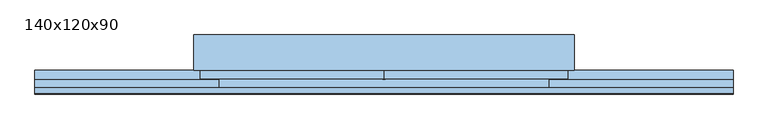
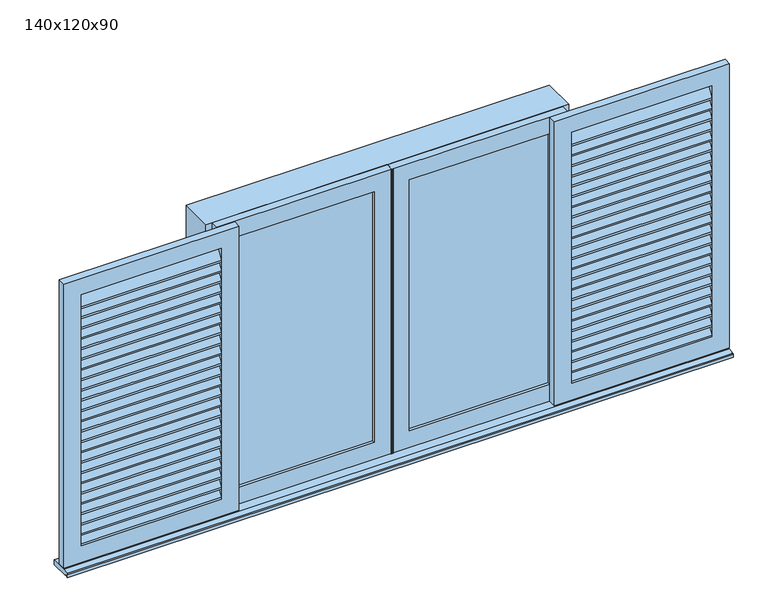
"""IFC4 building model written with IfcOpenShell, lengths in millimetres: window geometry, 140x120x90."""

from ifc_helpers import new_model, si_unit, point, frame, frame_2d, origin, place, context, project, spatial, polyline, circle_curve, trimmed, segment, composite_curve, outline, extrude, source, transform, mapped, element, save
from ifc_brep_helpers import plane_surface, cylinder_surface, revolved_surface, advanced_brep


def window_140x120x90_9d8e4bf2(model_context):
    return source(origin(), model_context, "Body", "SolidModel", [
        extrude(outline(polyline([(-103.3273038, 1021.3496198), (-73.3273038, 1071.3496198), (-73.3273038, 1063.5750173), (-103.3273038, 1013.5750173), (-103.3273038, 1021.3496198)])), frame((-1260.0, 0.0, 0.0), z_axis=(1.0, 0.0, 0.0), x_axis=(0.0, 1.0, 0.0)), (0.0, 0.0, 1.0), 560.0),
        extrude(outline(polyline([(-103.3273038, 1064.9246371), (-73.3273038, 1114.9246371), (-73.3273038, 1107.1500346), (-103.3273038, 1057.1500346), (-103.3273038, 1064.9246371)])), frame((-1260.0, 0.0, 0.0), z_axis=(1.0, 0.0, 0.0), x_axis=(0.0, 1.0, 0.0)), (0.0, 0.0, 1.0), 560.0),
        extrude(outline(polyline([(-103.3273038, 1108.4996544), (-73.3273038, 1158.4996544), (-73.3273038, 1150.7250518), (-103.3273038, 1100.7250518), (-103.3273038, 1108.4996544)])), frame((-1260.0, 0.0, 0.0), z_axis=(1.0, 0.0, 0.0), x_axis=(0.0, 1.0, 0.0)), (0.0, 0.0, 1.0), 560.0),
        extrude(outline(polyline([(-103.3273038, 1152.0746717), (-73.3273038, 1202.0746717), (-73.3273038, 1194.3000691), (-103.3273038, 1144.3000691), (-103.3273038, 1152.0746717)])), frame((-1260.0, 0.0, 0.0), z_axis=(1.0, 0.0, 0.0), x_axis=(0.0, 1.0, 0.0)), (0.0, 0.0, 1.0), 560.0),
        extrude(outline(polyline([(-103.3273038, 1195.6496889), (-73.3273038, 1245.6496889), (-73.3273038, 1237.8750864), (-103.3273038, 1187.8750864), (-103.3273038, 1195.6496889)])), frame((-1260.0, 0.0, 0.0), z_axis=(1.0, 0.0, 0.0), x_axis=(0.0, 1.0, 0.0)), (0.0, 0.0, 1.0), 560.0),
        extrude(outline(polyline([(-103.3273038, 1239.2247062), (-73.3273038, 1289.2247062), (-73.3273038, 1281.4501037), (-103.3273038, 1231.4501037), (-103.3273038, 1239.2247062)])), frame((-1260.0, 0.0, 0.0), z_axis=(1.0, 0.0, 0.0), x_axis=(0.0, 1.0, 0.0)), (0.0, 0.0, 1.0), 560.0),
        extrude(outline(polyline([(-103.3273038, 1282.7997235), (-73.3273038, 1332.7997235), (-73.3273038, 1325.025121), (-103.3273038, 1275.025121), (-103.3273038, 1282.7997235)])), frame((-1260.0, 0.0, 0.0), z_axis=(1.0, 0.0, 0.0), x_axis=(0.0, 1.0, 0.0)), (0.0, 0.0, 1.0), 560.0),
        extrude(outline(polyline([(-103.3273038, 1326.3747408), (-73.3273038, 1376.3747408), (-73.3273038, 1368.6001383), (-103.3273038, 1318.6001383), (-103.3273038, 1326.3747408)])), frame((-1260.0, 0.0, 0.0), z_axis=(1.0, 0.0, 0.0), x_axis=(0.0, 1.0, 0.0)), (0.0, 0.0, 1.0), 560.0),
        extrude(outline(polyline([(-103.3273038, 1369.9497581), (-73.3273038, 1419.9497581), (-73.3273038, 1412.1751555), (-103.3273038, 1362.1751555), (-103.3273038, 1369.9497581)])), frame((-1260.0, 0.0, 0.0), z_axis=(1.0, 0.0, 0.0), x_axis=(0.0, 1.0, 0.0)), (0.0, 0.0, 1.0), 560.0),
        extrude(outline(polyline([(-103.3273038, 1413.5247753), (-73.3273038, 1463.5247753), (-73.3273038, 1455.7501728), (-103.3273038, 1405.7501728), (-103.3273038, 1413.5247753)])), frame((-1260.0, 0.0, 0.0), z_axis=(1.0, 0.0, 0.0), x_axis=(0.0, 1.0, 0.0)), (0.0, 0.0, 1.0), 560.0),
        extrude(outline(polyline([(-103.3273038, 1457.0997926), (-73.3273038, 1507.0997926), (-73.3273038, 1499.3251901), (-103.3273038, 1449.3251901), (-103.3273038, 1457.0997926)])), frame((-1260.0, 0.0, 0.0), z_axis=(1.0, 0.0, 0.0), x_axis=(0.0, 1.0, 0.0)), (0.0, 0.0, 1.0), 560.0),
        extrude(outline(polyline([(-103.3273038, 1500.6748099), (-73.3273038, 1550.6748099), (-73.3273038, 1542.9002074), (-103.3273038, 1492.9002074), (-103.3273038, 1500.6748099)])), frame((-1260.0, 0.0, 0.0), z_axis=(1.0, 0.0, 0.0), x_axis=(0.0, 1.0, 0.0)), (0.0, 0.0, 1.0), 560.0),
        extrude(outline(polyline([(-103.3273038, 1544.2498272), (-73.3273038, 1594.2498272), (-73.3273038, 1586.4752247), (-103.3273038, 1536.4752247), (-103.3273038, 1544.2498272)])), frame((-1260.0, 0.0, 0.0), z_axis=(1.0, 0.0, 0.0), x_axis=(0.0, 1.0, 0.0)), (0.0, 0.0, 1.0), 560.0),
        extrude(outline(polyline([(-103.3273038, 1587.8248445), (-73.3273038, 1637.8248445), (-73.3273038, 1630.0502419), (-103.3273038, 1580.0502419), (-103.3273038, 1587.8248445)])), frame((-1260.0, 0.0, 0.0), z_axis=(1.0, 0.0, 0.0), x_axis=(0.0, 1.0, 0.0)), (0.0, 0.0, 1.0), 560.0),
        extrude(outline(polyline([(-103.3273038, 1631.3998617), (-73.3273038, 1681.3998617), (-73.3273038, 1673.6252592), (-103.3273038, 1623.6252592), (-103.3273038, 1631.3998617)])), frame((-1260.0, 0.0, 0.0), z_axis=(1.0, 0.0, 0.0), x_axis=(0.0, 1.0, 0.0)), (0.0, 0.0, 1.0), 560.0),
        extrude(outline(polyline([(-103.3273038, 1674.974879), (-73.3273038, 1724.974879), (-73.3273038, 1717.2002765), (-103.3273038, 1667.2002765), (-103.3273038, 1674.974879)])), frame((-1260.0, 0.0, 0.0), z_axis=(1.0, 0.0, 0.0), x_axis=(0.0, 1.0, 0.0)), (0.0, 0.0, 1.0), 560.0),
        extrude(outline(polyline([(-103.3273038, 1718.5498963), (-73.3273038, 1768.5498963), (-73.3273038, 1760.7752938), (-103.3273038, 1710.7752938), (-103.3273038, 1718.5498963)])), frame((-1260.0, 0.0, 0.0), z_axis=(1.0, 0.0, 0.0), x_axis=(0.0, 1.0, 0.0)), (0.0, 0.0, 1.0), 560.0),
        extrude(outline(polyline([(-103.3273038, 1762.1249136), (-73.3273038, 1812.1249136), (-73.3273038, 1804.3503111), (-103.3273038, 1754.3503111), (-103.3273038, 1762.1249136)])), frame((-1260.0, 0.0, 0.0), z_axis=(1.0, 0.0, 0.0), x_axis=(0.0, 1.0, 0.0)), (0.0, 0.0, 1.0), 560.0),
        extrude(outline(polyline([(-103.3273038, 1805.6999309), (-73.3273038, 1855.6999309), (-73.3273038, 1847.9253283), (-103.3273038, 1797.9253283), (-103.3273038, 1805.6999309)])), frame((-1260.0, 0.0, 0.0), z_axis=(1.0, 0.0, 0.0), x_axis=(0.0, 1.0, 0.0)), (0.0, 0.0, 1.0), 560.0),
        extrude(outline(polyline([(-103.3273038, 1849.2749482), (-73.3273038, 1899.2749482), (-73.3273038, 1891.5003456), (-103.3273038, 1841.5003456), (-103.3273038, 1849.2749482)])), frame((-1260.0, 0.0, 0.0), z_axis=(1.0, 0.0, 0.0), x_axis=(0.0, 1.0, 0.0)), (0.0, 0.0, 1.0), 560.0),
        extrude(outline(polyline([(-103.3273038, 1892.8499654), (-73.3273038, 1942.8499654), (-73.3273038, 1935.0753629), (-103.3273038, 1885.0753629), (-103.3273038, 1892.8499654)])), frame((-1260.0, 0.0, 0.0), z_axis=(1.0, 0.0, 0.0), x_axis=(0.0, 1.0, 0.0)), (0.0, 0.0, 1.0), 560.0),
        extrude(outline(polyline([(-103.3273038, 1936.4249827), (-73.3273038, 1986.4249827), (-73.3273038, 1978.6503802), (-103.3273038, 1928.6503802), (-103.3273038, 1936.4249827)])), frame((-1260.0, 0.0, 0.0), z_axis=(1.0, 0.0, 0.0), x_axis=(0.0, 1.0, 0.0)), (0.0, 0.0, 1.0), 560.0),
        extrude(outline(polyline([(-103.3273038, 977.7746025), (-73.3273038, 1027.7746025), (-73.3273038, 1020.0), (-103.3273038, 970.0), (-103.3273038, 977.7746025)])), frame((-1260.0, 0.0, 0.0), z_axis=(1.0, 0.0, 0.0), x_axis=(0.0, 1.0, 0.0)), (0.0, 0.0, 1.0), 560.0),
        extrude(outline(polyline([(-103.3273038, 1980.0), (-73.3273038, 2030.0), (-73.3273038, 2022.2253975), (-103.3273038, 1972.2253975), (-103.3273038, 1980.0)])), frame((-1260.0, 0.0, 0.0), z_axis=(1.0, 0.0, 0.0), x_axis=(0.0, 1.0, 0.0)), (0.0, 0.0, 1.0), 560.0),
        extrude(outline(polyline([(2100.0, -1330.0), (900.0, -1330.0), (900.0, -630.0), (2100.0, -630.0), (2100.0, -1330.0)]), holes=[polyline([(2030.0, -1260.0), (2030.0, -700.0), (970.0, -700.0), (970.0, -1260.0), (2030.0, -1260.0)])]), frame((0.0, -103.3273038, 0.0), z_axis=(0.0, 1.0, 0.0), x_axis=(0.0, 0.0, 1.0)), (0.0, 0.0, 1.0), 30.0),
        extrude(outline(polyline([(-103.3273038, 1021.3496198), (-73.3273038, 1071.3496198), (-73.3273038, 1063.5750173), (-103.3273038, 1013.5750173), (-103.3273038, 1021.3496198)])), frame((700.0, 0.0, 0.0), z_axis=(1.0, 0.0, 0.0), x_axis=(0.0, 1.0, 0.0)), (0.0, 0.0, 1.0), 560.0),
        extrude(outline(polyline([(-103.3273038, 1064.9246371), (-73.3273038, 1114.9246371), (-73.3273038, 1107.1500346), (-103.3273038, 1057.1500346), (-103.3273038, 1064.9246371)])), frame((700.0, 0.0, 0.0), z_axis=(1.0, 0.0, 0.0), x_axis=(0.0, 1.0, 0.0)), (0.0, 0.0, 1.0), 560.0),
        extrude(outline(polyline([(-103.3273038, 1108.4996544), (-73.3273038, 1158.4996544), (-73.3273038, 1150.7250518), (-103.3273038, 1100.7250518), (-103.3273038, 1108.4996544)])), frame((700.0, 0.0, 0.0), z_axis=(1.0, 0.0, 0.0), x_axis=(0.0, 1.0, 0.0)), (0.0, 0.0, 1.0), 560.0),
        extrude(outline(polyline([(-103.3273038, 1152.0746717), (-73.3273038, 1202.0746717), (-73.3273038, 1194.3000691), (-103.3273038, 1144.3000691), (-103.3273038, 1152.0746717)])), frame((700.0, 0.0, 0.0), z_axis=(1.0, 0.0, 0.0), x_axis=(0.0, 1.0, 0.0)), (0.0, 0.0, 1.0), 560.0),
        extrude(outline(polyline([(-103.3273038, 1195.6496889), (-73.3273038, 1245.6496889), (-73.3273038, 1237.8750864), (-103.3273038, 1187.8750864), (-103.3273038, 1195.6496889)])), frame((700.0, 0.0, 0.0), z_axis=(1.0, 0.0, 0.0), x_axis=(0.0, 1.0, 0.0)), (0.0, 0.0, 1.0), 560.0),
        extrude(outline(polyline([(-103.3273038, 1239.2247062), (-73.3273038, 1289.2247062), (-73.3273038, 1281.4501037), (-103.3273038, 1231.4501037), (-103.3273038, 1239.2247062)])), frame((700.0, 0.0, 0.0), z_axis=(1.0, 0.0, 0.0), x_axis=(0.0, 1.0, 0.0)), (0.0, 0.0, 1.0), 560.0),
        extrude(outline(polyline([(-103.3273038, 1282.7997235), (-73.3273038, 1332.7997235), (-73.3273038, 1325.025121), (-103.3273038, 1275.025121), (-103.3273038, 1282.7997235)])), frame((700.0, 0.0, 0.0), z_axis=(1.0, 0.0, 0.0), x_axis=(0.0, 1.0, 0.0)), (0.0, 0.0, 1.0), 560.0),
        extrude(outline(polyline([(-103.3273038, 1326.3747408), (-73.3273038, 1376.3747408), (-73.3273038, 1368.6001383), (-103.3273038, 1318.6001383), (-103.3273038, 1326.3747408)])), frame((700.0, 0.0, 0.0), z_axis=(1.0, 0.0, 0.0), x_axis=(0.0, 1.0, 0.0)), (0.0, 0.0, 1.0), 560.0),
        extrude(outline(polyline([(-103.3273038, 1369.9497581), (-73.3273038, 1419.9497581), (-73.3273038, 1412.1751555), (-103.3273038, 1362.1751555), (-103.3273038, 1369.9497581)])), frame((700.0, 0.0, 0.0), z_axis=(1.0, 0.0, 0.0), x_axis=(0.0, 1.0, 0.0)), (0.0, 0.0, 1.0), 560.0),
        extrude(outline(polyline([(-103.3273038, 1413.5247753), (-73.3273038, 1463.5247753), (-73.3273038, 1455.7501728), (-103.3273038, 1405.7501728), (-103.3273038, 1413.5247753)])), frame((700.0, 0.0, 0.0), z_axis=(1.0, 0.0, 0.0), x_axis=(0.0, 1.0, 0.0)), (0.0, 0.0, 1.0), 560.0),
        extrude(outline(polyline([(-103.3273038, 1457.0997926), (-73.3273038, 1507.0997926), (-73.3273038, 1499.3251901), (-103.3273038, 1449.3251901), (-103.3273038, 1457.0997926)])), frame((700.0, 0.0, 0.0), z_axis=(1.0, 0.0, 0.0), x_axis=(0.0, 1.0, 0.0)), (0.0, 0.0, 1.0), 560.0),
        extrude(outline(polyline([(-103.3273038, 1500.6748099), (-73.3273038, 1550.6748099), (-73.3273038, 1542.9002074), (-103.3273038, 1492.9002074), (-103.3273038, 1500.6748099)])), frame((700.0, 0.0, 0.0), z_axis=(1.0, 0.0, 0.0), x_axis=(0.0, 1.0, 0.0)), (0.0, 0.0, 1.0), 560.0),
        extrude(outline(polyline([(-103.3273038, 1544.2498272), (-73.3273038, 1594.2498272), (-73.3273038, 1586.4752247), (-103.3273038, 1536.4752247), (-103.3273038, 1544.2498272)])), frame((700.0, 0.0, 0.0), z_axis=(1.0, 0.0, 0.0), x_axis=(0.0, 1.0, 0.0)), (0.0, 0.0, 1.0), 560.0),
        extrude(outline(polyline([(-103.3273038, 1587.8248445), (-73.3273038, 1637.8248445), (-73.3273038, 1630.0502419), (-103.3273038, 1580.0502419), (-103.3273038, 1587.8248445)])), frame((700.0, 0.0, 0.0), z_axis=(1.0, 0.0, 0.0), x_axis=(0.0, 1.0, 0.0)), (0.0, 0.0, 1.0), 560.0),
        extrude(outline(polyline([(-103.3273038, 1631.3998617), (-73.3273038, 1681.3998617), (-73.3273038, 1673.6252592), (-103.3273038, 1623.6252592), (-103.3273038, 1631.3998617)])), frame((700.0, 0.0, 0.0), z_axis=(1.0, 0.0, 0.0), x_axis=(0.0, 1.0, 0.0)), (0.0, 0.0, 1.0), 560.0),
        extrude(outline(polyline([(-103.3273038, 1674.974879), (-73.3273038, 1724.974879), (-73.3273038, 1717.2002765), (-103.3273038, 1667.2002765), (-103.3273038, 1674.974879)])), frame((700.0, 0.0, 0.0), z_axis=(1.0, 0.0, 0.0), x_axis=(0.0, 1.0, 0.0)), (0.0, 0.0, 1.0), 560.0),
        extrude(outline(polyline([(-103.3273038, 1718.5498963), (-73.3273038, 1768.5498963), (-73.3273038, 1760.7752938), (-103.3273038, 1710.7752938), (-103.3273038, 1718.5498963)])), frame((700.0, 0.0, 0.0), z_axis=(1.0, 0.0, 0.0), x_axis=(0.0, 1.0, 0.0)), (0.0, 0.0, 1.0), 560.0),
        extrude(outline(polyline([(-103.3273038, 1762.1249136), (-73.3273038, 1812.1249136), (-73.3273038, 1804.3503111), (-103.3273038, 1754.3503111), (-103.3273038, 1762.1249136)])), frame((700.0, 0.0, 0.0), z_axis=(1.0, 0.0, 0.0), x_axis=(0.0, 1.0, 0.0)), (0.0, 0.0, 1.0), 560.0),
        extrude(outline(polyline([(-103.3273038, 1805.6999309), (-73.3273038, 1855.6999309), (-73.3273038, 1847.9253283), (-103.3273038, 1797.9253283), (-103.3273038, 1805.6999309)])), frame((700.0, 0.0, 0.0), z_axis=(1.0, 0.0, 0.0), x_axis=(0.0, 1.0, 0.0)), (0.0, 0.0, 1.0), 560.0),
        extrude(outline(polyline([(-103.3273038, 1849.2749482), (-73.3273038, 1899.2749482), (-73.3273038, 1891.5003456), (-103.3273038, 1841.5003456), (-103.3273038, 1849.2749482)])), frame((700.0, 0.0, 0.0), z_axis=(1.0, 0.0, 0.0), x_axis=(0.0, 1.0, 0.0)), (0.0, 0.0, 1.0), 560.0),
        extrude(outline(polyline([(-103.3273038, 1892.8499654), (-73.3273038, 1942.8499654), (-73.3273038, 1935.0753629), (-103.3273038, 1885.0753629), (-103.3273038, 1892.8499654)])), frame((700.0, 0.0, 0.0), z_axis=(1.0, 0.0, 0.0), x_axis=(0.0, 1.0, 0.0)), (0.0, 0.0, 1.0), 560.0),
        extrude(outline(polyline([(-103.3273038, 1936.4249827), (-73.3273038, 1986.4249827), (-73.3273038, 1978.6503802), (-103.3273038, 1928.6503802), (-103.3273038, 1936.4249827)])), frame((700.0, 0.0, 0.0), z_axis=(1.0, 0.0, 0.0), x_axis=(0.0, 1.0, 0.0)), (0.0, 0.0, 1.0), 560.0),
        extrude(outline(polyline([(-103.3273038, 977.7746025), (-73.3273038, 1027.7746025), (-73.3273038, 1020.0), (-103.3273038, 970.0), (-103.3273038, 977.7746025)])), frame((700.0, 0.0, 0.0), z_axis=(1.0, 0.0, 0.0), x_axis=(0.0, 1.0, 0.0)), (0.0, 0.0, 1.0), 560.0),
        extrude(outline(polyline([(-103.3273038, 1980.0), (-73.3273038, 2030.0), (-73.3273038, 2022.2253975), (-103.3273038, 1972.2253975), (-103.3273038, 1980.0)])), frame((700.0, 0.0, 0.0), z_axis=(1.0, 0.0, 0.0), x_axis=(0.0, 1.0, 0.0)), (0.0, 0.0, 1.0), 560.0),
        extrude(outline(polyline([(2100.0, 1330.0), (2100.0, 630.0), (900.0, 630.0), (900.0, 1330.0), (2100.0, 1330.0)]), holes=[polyline([(2030.0, 1260.0), (970.0, 1260.0), (970.0, 700.0), (2030.0, 700.0), (2030.0, 1260.0)])]), frame((0.0, -103.3273038, 0.0), z_axis=(0.0, 1.0, 0.0), x_axis=(0.0, 0.0, 1.0)), (0.0, 0.0, 1.0), 30.0),
        extrude(outline(polyline([(2100.0, 0.0), (900.0, 0.0), (900.0, 700.0), (2100.0, 700.0), (2100.0, 0.0)]), holes=[polyline([(2030.0, 70.0), (2030.0, 630.0), (970.0, 630.0), (970.0, 70.0), (2030.0, 70.0)])]), frame((0.0, -70.8273038, 0.0), z_axis=(0.0, 1.0, 0.0), x_axis=(0.0, 0.0, 1.0)), (0.0, 0.0, 1.0), 30.0),
        extrude(outline(polyline([(70.0, -52.8273038), (630.0, -52.8273038), (630.0, -58.8273038), (70.0, -58.8273038), (70.0, -52.8273038)])), frame((0.0, 0.0, 970.0), z_axis=(0.0, 0.0, 1.0), x_axis=(1.0, 0.0, 0.0)), (0.0, 0.0, 1.0), 1060.0),
        extrude(outline(polyline([(2100.0, 0.0), (2100.0, -700.0), (900.0, -700.0), (900.0, 0.0), (2100.0, 0.0)]), holes=[polyline([(2030.0, -70.0), (970.0, -70.0), (970.0, -630.0), (2030.0, -630.0), (2030.0, -70.0)])]), frame((0.0, -70.8273038, 0.0), z_axis=(0.0, 1.0, 0.0), x_axis=(0.0, 0.0, 1.0)), (0.0, 0.0, 1.0), 30.0),
        extrude(outline(polyline([(-70.0, -52.8273038), (-70.0, -58.8273038), (-630.0, -58.8273038), (-630.0, -52.8273038), (-70.0, -52.8273038)])), frame((0.0, 0.0, 970.0), z_axis=(0.0, 0.0, 1.0), x_axis=(1.0, 0.0, 0.0)), (0.0, 0.0, 1.0), 1060.0),
        advanced_brep(
        [(725.0, 96.6726962, 2100.0), (725.0, 96.6726962, 875.0), (-725.0, 96.6726962, 875.0), (-725.0, 96.6726962, 2100.0), (700.0, 96.6726962, 2075.0), (-700.0, 96.6726962, 2075.0), (-700.0, 96.6726962, 900.0), (700.0, 96.6726962, 900.0), (-725.0, -38.3273038, 2100.0), (-725.0, -38.3273038, 895.0), (725.0, -38.3273038, 895.0), (725.0, -38.3273038, 2100.0), (700.0, -38.3273038, 2075.0), (700.0, -38.3273038, 900.0), (-700.0, -38.3273038, 900.0), (-700.0, -38.3273038, 2075.0), (-725.0, -38.3273038, 875.0), (725.0, -38.3273038, 875.0), (1330.0, -38.3273038, 875.0), (1330.0, -113.3273038, 875.0), (-1330.0, -113.3273038, 875.0), (-1330.0, -38.3273038, 875.0), (-1330.0, -38.3273038, 895.0), (-1330.0, -123.3273038, 875.0), (-1330.0, -128.3273038, 875.0), (-1330.0, -128.3273038, 888.0745266), (-1330.0, -125.8482484, 891.0289498), (-1330.0, -103.3273038, 895.0), (1330.0, -38.3273038, 895.0), (1330.0, -103.3273038, 895.0), (1330.0, -125.8482484, 891.0289498), (1330.0, -128.3273038, 888.0745266), (1330.0, -128.3273038, 875.0), (1330.0, -123.3273038, 875.0)],
        [
            (0, 1),
            (1, 2),
            (2, 3),
            (3, 0),
            (4, 5),
            (5, 6),
            (6, 7),
            (7, 4),
            (8, 9),
            (9, 10),
            (10, 11),
            (11, 8),
            (12, 13),
            (13, 14),
            (14, 15),
            (15, 12),
            (3, 8),
            (11, 0),
            (2, 16),
            (16, 9),
            (1, 17),
            (17, 18),
            (18, 19),
            (19, 20),
            (20, 21),
            (21, 16),
            (10, 17),
            (7, 13),
            (12, 4),
            (6, 14),
            (5, 15),
            (22, 21),
            (20, 23, circle_curve(frame((-1330.0, -118.3273038, 875.0), z_axis=(1.0, 0.0, 0.0), x_axis=(0.0, 1.0, 0.0)), 5.0)),
            (23, 24),
            (24, 25),
            (25, 26, circle_curve(frame((-1330.0, -125.3273038, 888.0745266), z_axis=(-1.0, 0.0, 0.0), x_axis=(0.0, 1.0, 0.0)), 3.0)),
            (26, 27),
            (27, 22),
            (28, 29),
            (29, 30),
            (30, 31, circle_curve(frame((1330.0, -125.3273038, 888.0745266), z_axis=(1.0, 0.0, 0.0), x_axis=(0.0, 1.0, 0.0)), 3.0)),
            (31, 32),
            (32, 33),
            (33, 19, circle_curve(frame((1330.0, -118.3273038, 875.0), z_axis=(-1.0, 0.0, 0.0), x_axis=(0.0, 1.0, 0.0)), 5.0)),
            (18, 28),
            (27, 29),
            (28, 10),
            (9, 22),
            (26, 30),
            (25, 31),
            (24, 32),
            (23, 33),
        ],
        [
            plane_surface(frame((-725.0, 96.6726962, 2100.0), z_axis=(0.0, 1.0, 0.0), x_axis=(-1.0, 0.0, 0.0))),
            plane_surface(frame((-725.0, -38.3273038, 2100.0), z_axis=(0.0, -1.0, 0.0), x_axis=(1.0, 0.0, 0.0))),
            plane_surface(frame((725.0, 96.6726962, 2100.0), z_axis=(0.0, 0.0, 1.0), x_axis=(0.0, -1.0, 0.0))),
            plane_surface(frame((-725.0, 96.6726962, 2100.0), z_axis=(-1.0, 0.0, 0.0), x_axis=(0.0, -1.0, 0.0))),
            plane_surface(frame((-725.0, 96.6726962, 875.0), z_axis=(0.0, 0.0, -1.0), x_axis=(0.0, -1.0, 0.0))),
            plane_surface(frame((725.0, 96.6726962, 875.0), z_axis=(1.0, 0.0, 0.0), x_axis=(0.0, -1.0, 0.0))),
            plane_surface(frame((700.0, 96.6726962, 2075.0), z_axis=(-1.0, 0.0, 0.0), x_axis=(0.0, -1.0, 0.0))),
            plane_surface(frame((700.0, 96.6726962, 900.0), z_axis=(0.0, 0.0, 1.0), x_axis=(0.0, -1.0, 0.0))),
            plane_surface(frame((-700.0, 96.6726962, 900.0), z_axis=(1.0, 0.0, 0.0), x_axis=(0.0, -1.0, 0.0))),
            plane_surface(frame((-700.0, 96.6726962, 2075.0), z_axis=(0.0, 0.0, -1.0), x_axis=(0.0, -1.0, 0.0))),
            plane_surface(frame((-1330.0, -38.3273038, 895.0), z_axis=(-1.0, 0.0, 0.0), x_axis=(0.0, -1.0, 0.0))),
            plane_surface(frame((1330.0, -38.3273038, 895.0), z_axis=(1.0, 0.0, 0.0), x_axis=(0.0, 1.0, 0.0))),
            plane_surface(frame((-1330.0, -38.3273038, 895.0), z_axis=(0.0, 0.0, 1.0), x_axis=(1.0, 0.0, 0.0))),
            plane_surface(frame((-1330.0, -38.3273038, 875.0), z_axis=(0.0, 1.0, 0.0), x_axis=(1.0, 0.0, 0.0))),
            plane_surface(frame((-1330.0, -103.3273038, 895.0), z_axis=(0.0, -0.1736481776665278, 0.9848077530122791), x_axis=(1.0, 0.0, 0.0))),
            cylinder_surface(frame((1330.0, -125.3273038, 888.0745266), z_axis=(-1.0, 0.0, 0.0), x_axis=(0.0, 1.0, 0.0)), 3.0),
            plane_surface(frame((-1330.0, -128.3273038, 888.0745266), z_axis=(0.0, -1.0, 0.0), x_axis=(1.0, 0.0, 0.0))),
            plane_surface(frame((-1330.0, -128.3273038, 875.0), z_axis=(0.0, 0.0, -1.0), x_axis=(1.0, 0.0, 0.0))),
            revolved_surface(polyline([(1330.0, -113.3273038, 875.0), (-1330.0, -113.3273038, 875.0)]), (1330.0, -118.3273038, 875.0), (1.0, 0.0, 0.0)),
        ],
        [
            (0, [[1, 2, 3, 4], [5, 6, 7, 8]]),
            (1, [[9, 10, 11, 12], [13, 14, 15, 16]]),
            (2, [[17, -12, 18, -4]]),
            (3, [[19, 20, -9, -17, -3]]),
            (4, [[21, 22, 23, 24, 25, 26, -19, -2]]),
            (5, [[-18, -11, 27, -21, -1]]),
            (6, [[28, -13, 29, -8]]),
            (7, [[30, -14, -28, -7]]),
            (8, [[31, -15, -30, -6]]),
            (9, [[-29, -16, -31, -5]]),
            (10, [[32, -25, 33, 34, 35, 36, 37, 38]]),
            (11, [[39, 40, 41, 42, 43, 44, -23, 45]]),
            (12, [[46, -39, 47, -10, 48, -38]]),
            (13, [[-22, -27, -47, -45]]),
            (13, [[-48, -20, -26, -32]]),
            (14, [[49, -40, -46, -37]]),
            (15, [[50, -41, -49, -36]]),
            (16, [[51, -42, -50, -35]]),
            (17, [[52, -43, -51, -34]]),
            (18, [[-24, -44, -52, -33]]),
        ],
    ),
        extrude(outline(composite_curve([segment(trimmed(circle_curve(frame_2d((2.2348449, -70.8273038)), 2.2348449), [point((4.4696899, -70.8273038))], [point((2.2348449, -73.0621488))], False, "CARTESIAN"), True, "CONTINUOUS"), segment(polyline([(2.2348449, -73.0621488), (-2.2348449, -73.0621488)]), True, "CONTINUOUS"), segment(trimmed(circle_curve(frame_2d((-2.2348449, -70.8273038)), 2.2348449), [point((-2.2348449, -73.0621488))], [point((-4.4696899, -70.8273038))], False, "CARTESIAN"), True, "CONTINUOUS"), segment(polyline([(-4.4696899, -70.8273038), (4.4696899, -70.8273038)]), True, "CONTINUOUS")], self_intersect=False)), frame((0.0, 0.0, 900.0), z_axis=(0.0, 0.0, 1.0), x_axis=(1.0, 0.0, 0.0)), (0.0, 0.0, 1.0), 1200.0),
    ])


if __name__ == "__main__":
    model = new_model("IFC4")
    model_context = context("Model", 3, world=origin())
    ifc_project = project(units=[si_unit("LENGTHUNIT", "METRE", prefix="MILLI")], contexts=[model_context])
    site = spatial("IfcSite", under=ifc_project)
    building = spatial("IfcBuilding", under=site)
    placement = place(None, origin())
    window_140x120x90_shape = window_140x120x90_9d8e4bf2(model_context)
    element("IfcWindow", 1, ObjectType="140x120x90", at=placement, inside=building, context=model_context, shape_type="MappedRepresentation", body=[
        mapped(window_140x120x90_shape, transform((0.0, 0.0, 0.0), x_axis=(1.0, 0.0, 0.0), y_axis=(0.0, 1.0, 0.0), z_axis=(0.0, 0.0, 1.0))),
    ])
    save(model, "model.ifc")
